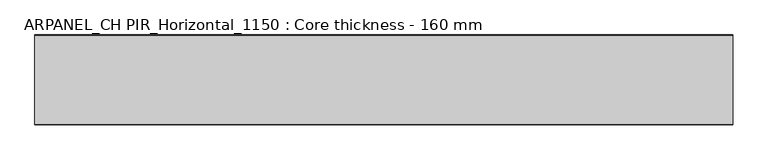
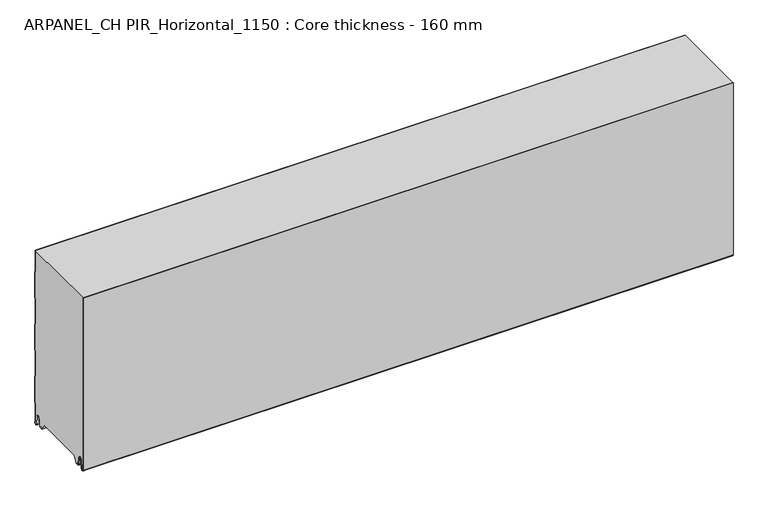
"""IFC4 building model written with IfcOpenShell, lengths in millimetres: plate geometry, ARPANEL_CH PIR_Horizontal_1150 : Core thickness - 160 mm."""

from ifc_helpers import new_model, si_unit, frame, origin, place, context, project, spatial, polyline, circle_curve, source, transform, mapped, element, save
from ifc_brep_helpers import plane_surface, cylinder_surface, revolved_surface, advanced_brep


def arpanel_ch_pir_horizontal_1150_core_thickness_160_mm_28ee7fb8(model_context):
    return source(origin(), model_context, "Body", "AdvancedBrep", [
        advanced_brep(
        [(620.0, -159.9996949, 3.0900682), (620.0, -153.81449, 2.7875612), (620.0, -152.197116, 19.2828169), (620.0, -149.1776715, 21.9898782), (620.0, -146.1582271, 19.2828169), (620.0, -144.7725998, 5.1510966), (620.0, -140.3830995, 5.365779), (620.0, -141.1830995, 5.365779), (620.0, -143.9764178, 5.2291629), (620.0, -145.3620451, 19.3608832), (620.0, -149.1776715, 22.7899182), (620.0, -152.9932979, 19.3608832), (620.0, -154.6106719, 2.8656275), (620.0, -159.1996949, 3.0900682), (620.0, -159.2, 350.0), (620.0, -159.9996949, 350.0), (-620.0, -159.1996949, 3.0900682), (-620.0, -154.6106719, 2.8656275), (-620.0, -152.9932979, 19.3608832), (-620.0, -149.1776715, 22.7899182), (-620.0, -145.3620451, 19.3608832), (-620.0, -143.9764178, 5.2291629), (-620.0, -141.1830995, 5.365779), (-620.0, -140.3830995, 5.365779), (-620.0, -144.7725998, 5.1510966), (-620.0, -146.1582271, 19.2828169), (-620.0, -149.1776715, 21.9898782), (-620.0, -152.197116, 19.2828169), (-620.0, -153.81449, 2.7875612), (-620.0, -159.9996949, 3.0900682), (-620.0, -159.9996949, 350.0), (-620.0, -159.2, 350.0)],
        [
            (0, 1, circle_curve(frame((620.0, -156.8996949, 3.0900682), z_axis=(1.0, 0.0, 0.0), x_axis=(0.0, 0.0, -1.0)), 3.1)),
            (1, 2),
            (2, 3, circle_curve(frame((620.0, -149.2114338, 18.9900682), z_axis=(-1.0, 0.0, 0.0), x_axis=(0.0, 0.0, -1.0)), 3.0)),
            (3, 4, circle_curve(frame((620.0, -149.1439093, 18.9900682), z_axis=(-1.0, 0.0, 0.0), x_axis=(0.0, 0.0, -1.0)), 3.0)),
            (4, 5),
            (5, 6, circle_curve(frame((620.0, -142.5830995, 5.365779), z_axis=(1.0, 0.0, 0.0), x_axis=(0.0, 0.0, -1.0)), 2.2)),
            (6, 7),
            (7, 8, circle_curve(frame((620.0, -142.5830995, 5.365779), z_axis=(-1.0, 0.0, 0.0), x_axis=(0.0, 0.0, -1.0)), 1.4)),
            (8, 9),
            (9, 10, circle_curve(frame((620.0, -149.1439093, 18.9900682), z_axis=(1.0, 0.0, 0.0), x_axis=(0.0, 0.0, -1.0)), 3.8)),
            (10, 11, circle_curve(frame((620.0, -149.2114338, 18.9900682), z_axis=(1.0, 0.0, 0.0), x_axis=(0.0, 0.0, -1.0)), 3.8)),
            (11, 12),
            (12, 13, circle_curve(frame((620.0, -156.8996949, 3.0900682), z_axis=(-1.0, 0.0, 0.0), x_axis=(0.0, 0.0, -1.0)), 2.3)),
            (13, 14),
            (14, 15),
            (15, 0),
            (16, 17, circle_curve(frame((-620.0, -156.8996949, 3.0900682), z_axis=(1.0, 0.0, 0.0), x_axis=(0.0, 0.0, -1.0)), 2.3)),
            (17, 18),
            (18, 19, circle_curve(frame((-620.0, -149.2114338, 18.9900682), z_axis=(-1.0, 0.0, 0.0), x_axis=(0.0, 0.0, -1.0)), 3.8)),
            (19, 20, circle_curve(frame((-620.0, -149.1439093, 18.9900682), z_axis=(-1.0, 0.0, 0.0), x_axis=(0.0, 0.0, -1.0)), 3.8)),
            (20, 21),
            (21, 22, circle_curve(frame((-620.0, -142.5830995, 5.365779), z_axis=(1.0, 0.0, 0.0), x_axis=(0.0, 0.0, -1.0)), 1.4)),
            (22, 23),
            (23, 24, circle_curve(frame((-620.0, -142.5830995, 5.365779), z_axis=(-1.0, 0.0, 0.0), x_axis=(0.0, 0.0, -1.0)), 2.2)),
            (24, 25),
            (25, 26, circle_curve(frame((-620.0, -149.1439093, 18.9900682), z_axis=(1.0, 0.0, 0.0), x_axis=(0.0, 0.0, -1.0)), 3.0)),
            (26, 27, circle_curve(frame((-620.0, -149.2114338, 18.9900682), z_axis=(1.0, 0.0, 0.0), x_axis=(0.0, 0.0, -1.0)), 3.0)),
            (27, 28),
            (28, 29, circle_curve(frame((-620.0, -156.8996949, 3.0900682), z_axis=(-1.0, 0.0, 0.0), x_axis=(0.0, 0.0, -1.0)), 3.1)),
            (29, 30),
            (30, 31),
            (31, 16),
            (13, 16),
            (31, 14),
            (29, 0),
            (15, 30),
            (12, 17),
            (11, 18),
            (10, 19),
            (9, 20),
            (8, 21),
            (7, 22),
            (6, 23),
            (5, 24),
            (4, 25),
            (3, 26),
            (2, 27),
            (1, 28),
        ],
        [
            plane_surface(frame((620.0, -160.0, 0.0), z_axis=(1.0, 0.0, 0.0), x_axis=(0.0, 1.0, 0.0))),
            plane_surface(frame((-620.0, -160.0, 0.0), z_axis=(-1.0, 0.0, 0.0), x_axis=(0.0, 1.0, 0.0))),
            plane_surface(frame((620.0, -159.2, 3.0900682), z_axis=(0.0, 1.0, 0.0), x_axis=(-1.0, 0.0, 0.0))),
            plane_surface(frame((620.0, -159.9996949, 1143.9000005), z_axis=(0.0, -1.0, 0.0), x_axis=(-1.0, 0.0, 0.0))),
            revolved_surface(polyline([(-620.0, -156.8996949, 0.7900682000000003), (620.0, -156.8996949, 0.7900682000000003)]), (620.0, -156.8996949, 3.0900682), (-1.0, 0.0, 0.0)),
            plane_surface(frame((620.0, -152.9932979, 19.3608832), z_axis=(0.0, -0.9952273999818314, 0.09758289975914787), x_axis=(-1.0, 0.0, 0.0))),
            cylinder_surface(frame((620.0, -149.2114338, 18.9900682), z_axis=(1.0, 0.0, 0.0), x_axis=(0.0, 0.0, -1.0)), 3.8),
            cylinder_surface(frame((620.0, -149.1439093, 18.9900682), z_axis=(1.0, 0.0, 0.0), x_axis=(0.0, 0.0, -1.0)), 3.8),
            plane_surface(frame((620.0, -143.9764178, 5.2291629), z_axis=(0.0, 0.9952273999818297, 0.09758289975916531), x_axis=(-1.0, 0.0, 0.0))),
            revolved_surface(polyline([(-620.0, -142.5830995, 3.965779), (620.0, -142.5830995, 3.965779)]), (620.0, -142.5830995, 5.365779), (-1.0, 0.0, 0.0)),
            plane_surface(frame((620.0, -140.3830995, 5.365779), z_axis=(0.0, 0.0, 1.0), x_axis=(-1.0, 0.0, 0.0))),
            cylinder_surface(frame((620.0, -142.5830995, 5.365779), z_axis=(1.0, 0.0, 0.0), x_axis=(0.0, 0.0, -1.0)), 2.2),
            plane_surface(frame((620.0, -146.1582271, 19.2828169), z_axis=(0.0, -0.9952273999818296, -0.09758289975916527), x_axis=(-1.0, 0.0, 0.0))),
            revolved_surface(polyline([(-620.0, -149.1439093, 15.9900682), (620.0, -149.1439093, 15.9900682)]), (620.0, -149.1439093, 18.9900682), (-1.0, 0.0, 0.0)),
            revolved_surface(polyline([(-620.0, -149.2114338, 15.9900682), (620.0, -149.2114338, 15.9900682)]), (620.0, -149.2114338, 18.9900682), (-1.0, 0.0, 0.0)),
            plane_surface(frame((620.0, -153.81449, 2.7875612), z_axis=(0.0, 0.9952273999818314, -0.09758289975914787), x_axis=(-1.0, 0.0, 0.0))),
            cylinder_surface(frame((620.0, -156.8996949, 3.0900682), z_axis=(1.0, 0.0, 0.0), x_axis=(0.0, 0.0, -1.0)), 3.1),
            plane_surface(frame((-620.0, 134.0533409, 350.0), z_axis=(0.0, 0.0, 1.0), x_axis=(1.0, 0.0, 0.0))),
        ],
        [
            (0, [[1, 2, 3, 4, 5, 6, 7, 8, 9, 10, 11, 12, 13, 14, 15, 16]]),
            (1, [[17, 18, 19, 20, 21, 22, 23, 24, 25, 26, 27, 28, 29, 30, 31, 32]]),
            (2, [[33, -32, 34, -14]]),
            (3, [[35, -16, 36, -30]]),
            (4, [[-13, 37, -17, -33]]),
            (5, [[-12, 38, -18, -37]]),
            (6, [[-11, 39, -19, -38]]),
            (7, [[-10, 40, -20, -39]]),
            (8, [[-9, 41, -21, -40]]),
            (9, [[-8, 42, -22, -41]]),
            (10, [[-7, 43, -23, -42]]),
            (11, [[-6, 44, -24, -43]]),
            (12, [[-5, 45, -25, -44]]),
            (13, [[-4, 46, -26, -45]]),
            (14, [[-3, 47, -27, -46]]),
            (15, [[-2, 48, -28, -47]]),
            (16, [[-1, -35, -29, -48]]),
            (17, [[-15, -34, -31, -36]]),
        ],
    ),
        advanced_brep(
        [(620.0, -129.873448, 15.1417681), (620.0, -30.126552, 15.1417681), (620.0, -23.4071318, 3.165779), (620.0, -17.4169005, 3.165779), (620.0, -19.6169005, 5.365779), (620.0, -18.8169005, 5.365779), (620.0, -16.0235822, 5.2291629), (620.0, -14.6379549, 19.3608832), (620.0, -10.8223285, 22.7899182), (620.0, -7.0067021, 19.3608832), (620.0, -5.3893281, 2.8656275), (620.0, -1.0794848, 4.1883784), (620.0, -1.5003051, 5.8439114), (620.0, -1.5003051, 42.0511837), (620.0, -1.0971009, 43.4705951), (620.0, -0.8, 44.5229805), (620.0, -0.8, 94.6827637), (620.0, -1.0986697, 95.7341795), (620.0, -1.5003051, 97.1545605), (620.0, -1.5003051, 147.3143437), (620.0, -1.0971009, 148.7337551), (620.0, -0.8, 149.7861405), (620.0, -0.8, 199.9459237), (620.0, -1.0986697, 200.9973395), (620.0, -1.5003051, 202.4177205), (620.0, -1.5003051, 252.5775037), (620.0, -1.0971009, 253.9969151), (620.0, -0.8, 255.0493005), (620.0, -0.8, 305.2090837), (620.0, -1.0986697, 306.2604995), (620.0, -1.5003051, 307.6808805), (620.0, -1.5003051, 350.0), (620.0, -159.2, 350.0), (620.0, -159.2, 3.0900682), (620.0, -154.6106719, 2.8656275), (620.0, -152.9932979, 19.3608832), (620.0, -149.1776715, 22.7899182), (620.0, -145.3620451, 19.3608832), (620.0, -143.9764178, 5.2291629), (620.0, -141.1830995, 5.365779), (620.0, -140.3830995, 5.365779), (620.0, -142.5830995, 3.165779), (620.0, -136.5928682, 3.165779), (-620.0, -30.126552, 15.1417681), (-620.0, -129.873448, 15.1417681), (-620.0, -136.5928682, 3.165779), (-620.0, -142.5830995, 3.165779), (-620.0, -140.3830995, 5.365779), (-620.0, -141.1830995, 5.365779), (-620.0, -143.9764178, 5.2291629), (-620.0, -145.3620451, 19.3608832), (-620.0, -149.1776715, 22.7899182), (-620.0, -152.9932979, 19.3608832), (-620.0, -154.6106719, 2.8656275), (-620.0, -159.1996949, 3.0900682), (-620.0, -159.2, 350.0), (-620.0, -1.5003051, 350.0), (-620.0, -1.5003051, 307.6808805), (-620.0, -1.0971009, 306.2614691), (-620.0, -0.8, 305.2090837), (-620.0, -0.8, 255.0493005), (-620.0, -1.0986697, 253.9978846), (-620.0, -1.5003051, 252.5775037), (-620.0, -1.5003051, 202.4177205), (-620.0, -1.0971009, 200.9983091), (-620.0, -0.8, 199.9459237), (-620.0, -0.8, 149.7861405), (-620.0, -1.0986697, 148.7347246), (-620.0, -1.5003051, 147.3143437), (-620.0, -1.5003051, 97.1545605), (-620.0, -1.0971009, 95.7351491), (-620.0, -0.8, 94.6827637), (-620.0, -0.8, 44.5229805), (-620.0, -1.0986697, 43.4715646), (-620.0, -1.5003051, 42.0511837), (-620.0, -1.5003051, 5.8439114), (-620.0, -1.0794848, 4.1883784), (-620.0, -5.3893281, 2.8656275), (-620.0, -7.0067021, 19.3608832), (-620.0, -10.8223285, 22.7899182), (-620.0, -14.6379549, 19.3608832), (-620.0, -16.0235822, 5.2291629), (-620.0, -18.8169005, 5.365779), (-620.0, -19.6169005, 5.365779), (-620.0, -17.4169005, 3.165779), (-620.0, -23.4071318, 3.165779)],
        [
            (0, 1),
            (1, 2),
            (2, 3),
            (3, 4, circle_curve(frame((620.0, -17.4169005, 5.365779), z_axis=(-1.0, 0.0, 0.0), x_axis=(0.0, 0.0, -1.0)), 2.2)),
            (4, 5),
            (5, 6, circle_curve(frame((620.0, -17.4169005, 5.365779), z_axis=(1.0, 0.0, 0.0), x_axis=(0.0, 0.0, -1.0)), 1.4)),
            (6, 7),
            (7, 8, circle_curve(frame((620.0, -10.8560907, 18.9900682), z_axis=(-1.0, 0.0, 0.0), x_axis=(0.0, 0.0, -1.0)), 3.8)),
            (8, 9, circle_curve(frame((620.0, -10.7885662, 18.9900682), z_axis=(-1.0, 0.0, 0.0), x_axis=(0.0, 0.0, -1.0)), 3.8)),
            (9, 10),
            (10, 11, circle_curve(frame((620.0, -3.1003051, 3.0900682), z_axis=(1.0, 0.0, 0.0), x_axis=(0.0, 0.0, -1.0)), 2.3)),
            (11, 12, circle_curve(frame((620.0, 1.9665895, 5.8439114), z_axis=(-1.0, 0.0, 0.0), x_axis=(0.0, 0.0, -1.0)), 3.4668946)),
            (12, 13),
            (13, 14, circle_curve(frame((620.0, 1.1996949, 42.0511837), z_axis=(-1.0, 0.0, 0.0), x_axis=(0.0, 0.0, -1.0)), 2.7)),
            (14, 15, circle_curve(frame((620.0, -2.8, 44.5229805), z_axis=(1.0, 0.0, 0.0), x_axis=(0.0, 0.0, -1.0)), 2.0)),
            (15, 16),
            (16, 17, circle_curve(frame((620.0, -2.8, 94.6827637), z_axis=(1.0, 0.0, 0.0), x_axis=(0.0, 0.0, -1.0)), 2.0)),
            (17, 18, circle_curve(frame((620.0, 1.1996949, 97.1545605), z_axis=(-1.0, 0.0, 0.0), x_axis=(0.0, 0.0, -1.0)), 2.7)),
            (18, 19),
            (19, 20, circle_curve(frame((620.0, 1.1996949, 147.3143437), z_axis=(-1.0, 0.0, 0.0), x_axis=(0.0, 0.0, -1.0)), 2.7)),
            (20, 21, circle_curve(frame((620.0, -2.8, 149.7861405), z_axis=(1.0, 0.0, 0.0), x_axis=(0.0, 0.0, -1.0)), 2.0)),
            (21, 22),
            (22, 23, circle_curve(frame((620.0, -2.8, 199.9459237), z_axis=(1.0, 0.0, 0.0), x_axis=(0.0, 0.0, -1.0)), 2.0)),
            (23, 24, circle_curve(frame((620.0, 1.1996949, 202.4177205), z_axis=(-1.0, 0.0, 0.0), x_axis=(0.0, 0.0, -1.0)), 2.7)),
            (24, 25),
            (25, 26, circle_curve(frame((620.0, 1.1996949, 252.5775037), z_axis=(-1.0, 0.0, 0.0), x_axis=(0.0, 0.0, -1.0)), 2.7)),
            (26, 27, circle_curve(frame((620.0, -2.8, 255.0493005), z_axis=(1.0, 0.0, 0.0), x_axis=(0.0, 0.0, -1.0)), 2.0)),
            (27, 28),
            (28, 29, circle_curve(frame((620.0, -2.8, 305.2090837), z_axis=(1.0, 0.0, 0.0), x_axis=(0.0, 0.0, -1.0)), 2.0)),
            (29, 30, circle_curve(frame((620.0, 1.1996949, 307.6808805), z_axis=(-1.0, 0.0, 0.0), x_axis=(0.0, 0.0, -1.0)), 2.7)),
            (30, 31),
            (31, 32),
            (32, 33),
            (33, 34, circle_curve(frame((620.0, -156.8996949, 3.0900682), z_axis=(1.0, 0.0, 0.0), x_axis=(0.0, 0.0, -1.0)), 2.3)),
            (34, 35),
            (35, 36, circle_curve(frame((620.0, -149.2114338, 18.9900682), z_axis=(-1.0, 0.0, 0.0), x_axis=(0.0, 0.0, -1.0)), 3.8)),
            (36, 37, circle_curve(frame((620.0, -149.1439093, 18.9900682), z_axis=(-1.0, 0.0, 0.0), x_axis=(0.0, 0.0, -1.0)), 3.8)),
            (37, 38),
            (38, 39, circle_curve(frame((620.0, -142.5830995, 5.365779), z_axis=(1.0, 0.0, 0.0), x_axis=(0.0, 0.0, -1.0)), 1.4)),
            (39, 40),
            (40, 41, circle_curve(frame((620.0, -142.5830995, 5.365779), z_axis=(-1.0, 0.0, 0.0), x_axis=(0.0, 0.0, -1.0)), 2.2)),
            (41, 42),
            (42, 0),
            (43, 44),
            (44, 45),
            (45, 46),
            (46, 47, circle_curve(frame((-620.0, -142.5830995, 5.365779), z_axis=(1.0, 0.0, 0.0), x_axis=(0.0, 0.0, -1.0)), 2.2)),
            (47, 48),
            (48, 49, circle_curve(frame((-620.0, -142.5830995, 5.365779), z_axis=(-1.0, 0.0, 0.0), x_axis=(0.0, 0.0, -1.0)), 1.4)),
            (49, 50),
            (50, 51, circle_curve(frame((-620.0, -149.1439093, 18.9900682), z_axis=(1.0, 0.0, 0.0), x_axis=(0.0, 0.0, -1.0)), 3.8)),
            (51, 52, circle_curve(frame((-620.0, -149.2114338, 18.9900682), z_axis=(1.0, 0.0, 0.0), x_axis=(0.0, 0.0, -1.0)), 3.8)),
            (52, 53),
            (53, 54, circle_curve(frame((-620.0, -156.8996949, 3.0900682), z_axis=(-1.0, 0.0, 0.0), x_axis=(0.0, 0.0, -1.0)), 2.3)),
            (54, 55),
            (55, 56),
            (56, 57),
            (57, 58, circle_curve(frame((-620.0, 1.1996949, 307.6808805), z_axis=(1.0, 0.0, 0.0), x_axis=(0.0, 0.0, -1.0)), 2.7)),
            (58, 59, circle_curve(frame((-620.0, -2.8, 305.2090837), z_axis=(-1.0, 0.0, 0.0), x_axis=(0.0, 0.0, -1.0)), 2.0)),
            (59, 60),
            (60, 61, circle_curve(frame((-620.0, -2.8, 255.0493005), z_axis=(-1.0, 0.0, 0.0), x_axis=(0.0, 0.0, -1.0)), 2.0)),
            (61, 62, circle_curve(frame((-620.0, 1.1996949, 252.5775037), z_axis=(1.0, 0.0, 0.0), x_axis=(0.0, 0.0, -1.0)), 2.7)),
            (62, 63),
            (63, 64, circle_curve(frame((-620.0, 1.1996949, 202.4177205), z_axis=(1.0, 0.0, 0.0), x_axis=(0.0, 0.0, -1.0)), 2.7)),
            (64, 65, circle_curve(frame((-620.0, -2.8, 199.9459237), z_axis=(-1.0, 0.0, 0.0), x_axis=(0.0, 0.0, -1.0)), 2.0)),
            (65, 66),
            (66, 67, circle_curve(frame((-620.0, -2.8, 149.7861405), z_axis=(-1.0, 0.0, 0.0), x_axis=(0.0, 0.0, -1.0)), 2.0)),
            (67, 68, circle_curve(frame((-620.0, 1.1996949, 147.3143437), z_axis=(1.0, 0.0, 0.0), x_axis=(0.0, 0.0, -1.0)), 2.7)),
            (68, 69),
            (69, 70, circle_curve(frame((-620.0, 1.1996949, 97.1545605), z_axis=(1.0, 0.0, 0.0), x_axis=(0.0, 0.0, -1.0)), 2.7)),
            (70, 71, circle_curve(frame((-620.0, -2.8, 94.6827637), z_axis=(-1.0, 0.0, 0.0), x_axis=(0.0, 0.0, -1.0)), 2.0)),
            (71, 72),
            (72, 73, circle_curve(frame((-620.0, -2.8, 44.5229805), z_axis=(-1.0, 0.0, 0.0), x_axis=(0.0, 0.0, -1.0)), 2.0)),
            (73, 74, circle_curve(frame((-620.0, 1.1996949, 42.0511837), z_axis=(1.0, 0.0, 0.0), x_axis=(0.0, 0.0, -1.0)), 2.7)),
            (74, 75),
            (75, 76, circle_curve(frame((-620.0, 1.9665895, 5.8439114), z_axis=(1.0, 0.0, 0.0), x_axis=(0.0, 0.0, -1.0)), 3.4668946)),
            (76, 77, circle_curve(frame((-620.0, -3.1003051, 3.0900682), z_axis=(-1.0, 0.0, 0.0), x_axis=(0.0, 0.0, -1.0)), 2.3)),
            (77, 78),
            (78, 79, circle_curve(frame((-620.0, -10.7885662, 18.9900682), z_axis=(1.0, 0.0, 0.0), x_axis=(0.0, 0.0, -1.0)), 3.8)),
            (79, 80, circle_curve(frame((-620.0, -10.8560907, 18.9900682), z_axis=(1.0, 0.0, 0.0), x_axis=(0.0, 0.0, -1.0)), 3.8)),
            (80, 81),
            (81, 82, circle_curve(frame((-620.0, -17.4169005, 5.365779), z_axis=(-1.0, 0.0, 0.0), x_axis=(0.0, 0.0, -1.0)), 1.4)),
            (82, 83),
            (83, 84, circle_curve(frame((-620.0, -17.4169005, 5.365779), z_axis=(1.0, 0.0, 0.0), x_axis=(0.0, 0.0, -1.0)), 2.2)),
            (84, 85),
            (85, 43),
            (1, 43),
            (85, 2),
            (0, 44),
            (42, 45),
            (64, 23),
            (22, 65),
            (63, 24),
            (62, 25),
            (61, 26),
            (60, 27),
            (59, 28),
            (58, 29),
            (57, 30),
            (56, 31),
            (54, 33),
            (32, 55),
            (84, 3),
            (41, 46),
            (83, 4),
            (82, 5),
            (81, 6),
            (80, 7),
            (79, 8),
            (78, 9),
            (77, 10),
            (76, 11),
            (75, 12),
            (74, 13),
            (73, 14),
            (72, 15),
            (71, 16),
            (70, 17),
            (69, 18),
            (68, 19),
            (67, 20),
            (66, 21),
            (53, 34),
            (52, 35),
            (51, 36),
            (50, 37),
            (49, 38),
            (48, 39),
            (47, 40),
        ],
        [
            plane_surface(frame((620.0, 0.0, 0.0), z_axis=(1.0, 0.0, 0.0), x_axis=(0.0, -1.0, 0.0))),
            plane_surface(frame((-620.0, 0.0, 0.0), z_axis=(-1.0, 0.0, 0.0), x_axis=(0.0, -1.0, 0.0))),
            plane_surface(frame((620.0, -30.126552, 15.1417681), z_axis=(0.0, -0.8721062992196836, -0.4893164649399687), x_axis=(-1.0, 0.0, 0.0))),
            plane_surface(frame((620.0, -129.873448, 15.1417681), z_axis=(0.0, 0.0, -1.0), x_axis=(-1.0, 0.0, 0.0))),
            plane_surface(frame((620.0, -136.8190247, 2.7627014), z_axis=(0.0, 0.8721062992196852, -0.48931646493996606), x_axis=(-1.0, 0.0, 0.0))),
            cylinder_surface(frame((750.0, -2.8, 199.9459237), z_axis=(-1.0, 0.0, 0.0), x_axis=(0.0, 0.0, -1.0)), 2.0),
            revolved_surface(polyline([(620.0, 1.1996949, 199.7177205), (-620.0, 1.1996949, 199.7177205)]), (750.0, 1.1996949, 202.4177205), (1.0, 0.0, 0.0)),
            plane_surface(frame((750.0, -1.5003051, 252.5775037), z_axis=(0.0, 1.0, 0.0), x_axis=(-1.0, 0.0, 0.0))),
            revolved_surface(polyline([(620.0, 1.1996949, 249.8775037), (-620.0, 1.1996949, 249.8775037)]), (750.0, 1.1996949, 252.5775037), (1.0, 0.0, 0.0)),
            cylinder_surface(frame((750.0, -2.8, 255.0493005), z_axis=(-1.0, 0.0, 0.0), x_axis=(0.0, 0.0, -1.0)), 2.0),
            plane_surface(frame((750.0, -0.8, 305.2090837), z_axis=(0.0, 1.0, 0.0), x_axis=(-1.0, 0.0, 0.0))),
            cylinder_surface(frame((750.0, -2.8, 305.2090837), z_axis=(-1.0, 0.0, 0.0), x_axis=(0.0, 0.0, -1.0)), 2.0),
            revolved_surface(polyline([(620.0, 1.1996949, 304.9808805), (-620.0, 1.1996949, 304.9808805)]), (750.0, 1.1996949, 307.6808805), (1.0, 0.0, 0.0)),
            plane_surface(frame((750.0, -1.5003051, 357.8406637), z_axis=(0.0, 1.0, 0.0), x_axis=(-1.0, 0.0, 0.0))),
            plane_surface(frame((750.0, -159.2, 3.0900682), z_axis=(0.0, -1.0, 0.0), x_axis=(-1.0, 0.0, 0.0))),
            plane_surface(frame((-620.0, -142.5830995, 3.165779), z_axis=(0.0, 0.0, -1.0), x_axis=(1.0, 0.0, 0.0))),
            revolved_surface(polyline([(620.0, -17.4169005, 3.1657789999999997), (-620.0, -17.4169005, 3.1657789999999997)]), (750.0, -17.4169005, 5.365779), (1.0, 0.0, 0.0)),
            plane_surface(frame((750.0, -18.8169005, 5.365779), z_axis=(0.0, 0.0, -1.0), x_axis=(-1.0, 0.0, 0.0))),
            cylinder_surface(frame((750.0, -17.4169005, 5.365779), z_axis=(-1.0, 0.0, 0.0), x_axis=(0.0, 0.0, -1.0)), 1.4),
            plane_surface(frame((750.0, -14.6379549, 19.3608832), z_axis=(0.0, 0.9952273999818297, -0.09758289975916531), x_axis=(-1.0, 0.0, 0.0))),
            revolved_surface(polyline([(620.0, -10.8560907, 15.190068199999999), (-620.0, -10.8560907, 15.190068199999999)]), (750.0, -10.8560907, 18.9900682), (1.0, 0.0, 0.0)),
            revolved_surface(polyline([(620.0, -10.7885662, 15.190068199999999), (-620.0, -10.7885662, 15.190068199999999)]), (750.0, -10.7885662, 18.9900682), (1.0, 0.0, 0.0)),
            plane_surface(frame((750.0, -5.3893281, 2.8656275), z_axis=(0.0, -0.9952273999818314, -0.09758289975914787), x_axis=(-1.0, 0.0, 0.0))),
            cylinder_surface(frame((750.0, -3.1003051, 3.0900682), z_axis=(-1.0, 0.0, 0.0), x_axis=(0.0, 0.0, -1.0)), 2.3),
            revolved_surface(polyline([(620.0, 1.9665895, 2.3770168), (-620.0, 1.9665895, 2.3770168)]), (750.0, 1.9665895, 5.8439114), (1.0, 0.0, 0.0)),
            plane_surface(frame((750.0, -1.5003051, 42.0511837), z_axis=(0.0, 1.0, 0.0), x_axis=(-1.0, 0.0, 0.0))),
            revolved_surface(polyline([(620.0, 1.1996949, 39.3511837), (-620.0, 1.1996949, 39.3511837)]), (750.0, 1.1996949, 42.0511837), (1.0, 0.0, 0.0)),
            cylinder_surface(frame((750.0, -2.8, 44.5229805), z_axis=(-1.0, 0.0, 0.0), x_axis=(0.0, 0.0, -1.0)), 2.0),
            plane_surface(frame((750.0, -0.8, 94.6827637), z_axis=(0.0, 1.0, 0.0), x_axis=(-1.0, 0.0, 0.0))),
            cylinder_surface(frame((750.0, -2.8, 94.6827637), z_axis=(-1.0, 0.0, 0.0), x_axis=(0.0, 0.0, -1.0)), 2.0),
            revolved_surface(polyline([(620.0, 1.1996949, 94.4545605), (-620.0, 1.1996949, 94.4545605)]), (750.0, 1.1996949, 97.1545605), (1.0, 0.0, 0.0)),
            plane_surface(frame((750.0, -1.5003051, 147.3143437), z_axis=(0.0, 1.0, 0.0), x_axis=(-1.0, 0.0, 0.0))),
            revolved_surface(polyline([(620.0, 1.1996949, 144.6143437), (-620.0, 1.1996949, 144.6143437)]), (750.0, 1.1996949, 147.3143437), (1.0, 0.0, 0.0)),
            cylinder_surface(frame((750.0, -2.8, 149.7861405), z_axis=(-1.0, 0.0, 0.0), x_axis=(0.0, 0.0, -1.0)), 2.0),
            plane_surface(frame((750.0, -0.8, 199.9459237), z_axis=(0.0, 1.0, 0.0), x_axis=(-1.0, 0.0, 0.0))),
            cylinder_surface(frame((750.0, -156.8996949, 3.0900682), z_axis=(-1.0, 0.0, 0.0), x_axis=(0.0, 0.0, -1.0)), 2.3),
            plane_surface(frame((750.0, -152.9932979, 19.3608832), z_axis=(0.0, 0.9952273999818314, -0.09758289975914787), x_axis=(-1.0, 0.0, 0.0))),
            revolved_surface(polyline([(620.0, -149.2114338, 15.190068199999999), (-620.0, -149.2114338, 15.190068199999999)]), (750.0, -149.2114338, 18.9900682), (1.0, 0.0, 0.0)),
            revolved_surface(polyline([(620.0, -149.1439093, 15.190068199999999), (-620.0, -149.1439093, 15.190068199999999)]), (750.0, -149.1439093, 18.9900682), (1.0, 0.0, 0.0)),
            plane_surface(frame((750.0, -143.9764178, 5.2291629), z_axis=(0.0, -0.9952273999818297, -0.09758289975916531), x_axis=(-1.0, 0.0, 0.0))),
            cylinder_surface(frame((750.0, -142.5830995, 5.365779), z_axis=(-1.0, 0.0, 0.0), x_axis=(0.0, 0.0, -1.0)), 1.4),
            plane_surface(frame((750.0, -140.3830995, 5.365779), z_axis=(0.0, 0.0, -1.0), x_axis=(-1.0, 0.0, 0.0))),
            revolved_surface(polyline([(620.0, -142.5830995, 3.1657789999999997), (-620.0, -142.5830995, 3.1657789999999997)]), (750.0, -142.5830995, 5.365779), (1.0, 0.0, 0.0)),
            plane_surface(frame((-620.0, 134.0533409, 350.0), z_axis=(0.0, 0.0, 1.0), x_axis=(1.0, 0.0, 0.0))),
        ],
        [
            (0, [[1, 2, 3, 4, 5, 6, 7, 8, 9, 10, 11, 12, 13, 14, 15, 16, 17, 18, 19, 20, 21, 22, 23, 24, 25, 26, 27, 28, 29, 30, 31, 32, 33, 34, 35, 36, 37, 38, 39, 40, 41, 42, 43]]),
            (1, [[44, 45, 46, 47, 48, 49, 50, 51, 52, 53, 54, 55, 56, 57, 58, 59, 60, 61, 62, 63, 64, 65, 66, 67, 68, 69, 70, 71, 72, 73, 74, 75, 76, 77, 78, 79, 80, 81, 82, 83, 84, 85, 86]]),
            (2, [[87, -86, 88, -2]]),
            (3, [[-1, 89, -44, -87]]),
            (4, [[-89, -43, 90, -45]]),
            (5, [[91, -23, 92, -65]]),
            (6, [[-91, -64, 93, -24]]),
            (7, [[-93, -63, 94, -25]]),
            (8, [[-94, -62, 95, -26]]),
            (9, [[-95, -61, 96, -27]]),
            (10, [[-96, -60, 97, -28]]),
            (11, [[-97, -59, 98, -29]]),
            (12, [[-98, -58, 99, -30]]),
            (13, [[-99, -57, 100, -31]]),
            (14, [[101, -33, 102, -55]]),
            (15, [[-3, -88, -85, 103]]),
            (15, [[-42, 104, -46, -90]]),
            (16, [[105, -4, -103, -84]]),
            (17, [[-105, -83, 106, -5]]),
            (18, [[-106, -82, 107, -6]]),
            (19, [[-107, -81, 108, -7]]),
            (20, [[-108, -80, 109, -8]]),
            (21, [[-109, -79, 110, -9]]),
            (22, [[-110, -78, 111, -10]]),
            (23, [[-111, -77, 112, -11]]),
            (24, [[-112, -76, 113, -12]]),
            (25, [[-113, -75, 114, -13]]),
            (26, [[-114, -74, 115, -14]]),
            (27, [[-115, -73, 116, -15]]),
            (28, [[-116, -72, 117, -16]]),
            (29, [[-117, -71, 118, -17]]),
            (30, [[-118, -70, 119, -18]]),
            (31, [[-119, -69, 120, -19]]),
            (32, [[-120, -68, 121, -20]]),
            (33, [[-121, -67, 122, -21]]),
            (34, [[-122, -66, -92, -22]]),
            (35, [[-101, -54, 123, -34]]),
            (36, [[-123, -53, 124, -35]]),
            (37, [[-124, -52, 125, -36]]),
            (38, [[-125, -51, 126, -37]]),
            (39, [[-126, -50, 127, -38]]),
            (40, [[-127, -49, 128, -39]]),
            (41, [[-128, -48, 129, -40]]),
            (42, [[-129, -47, -104, -41]]),
            (43, [[-100, -56, -102, -32]]),
        ],
    ),
        advanced_brep(
        [(-620.0, -0.7003051, 307.6808805), (-620.0, -0.4016712, 306.6295226), (-620.0, -0.0003051, 305.2090837), (-620.0, -0.0003051, 255.0493005), (-620.0, -0.4034608, 253.6299674), (-620.0, -0.7003051, 252.5775037), (-620.0, -0.7003051, 202.4177205), (-620.0, -0.4016712, 201.3663626), (-620.0, -0.0003051, 199.9459237), (-620.0, -0.0003051, 149.7861405), (-620.0, -0.4034608, 148.3668074), (-620.0, -0.7003051, 147.3143437), (-620.0, -0.7003051, 97.1545605), (-620.0, -0.4016712, 96.1032026), (-620.0, -0.0003051, 94.6827637), (-620.0, -0.0003051, 44.5229805), (-620.0, -0.4034608, 43.1036474), (-620.0, -0.7003051, 42.0511837), (-620.0, -0.7003051, 6.8391397), (-620.0, -0.2091664, 4.208691), (-620.0, -6.18551, 2.7875612), (-620.0, -7.802884, 19.2828169), (-620.0, -10.8223285, 21.9898782), (-620.0, -13.8417729, 19.2828169), (-620.0, -15.2274002, 5.1510966), (-620.0, -19.6169005, 5.365779), (-620.0, -18.8169005, 5.365779), (-620.0, -16.0235822, 5.2291629), (-620.0, -14.6379549, 19.3608832), (-620.0, -10.8223285, 22.7899182), (-620.0, -7.0067021, 19.3608832), (-620.0, -5.3893281, 2.8656275), (-620.0, -1.0794848, 4.1883784), (-620.0, -1.5003051, 5.8439114), (-620.0, -1.5003051, 42.0511837), (-620.0, -1.0971009, 43.4705951), (-620.0, -0.8, 44.5229805), (-620.0, -0.8, 94.6827637), (-620.0, -1.0986697, 95.7341795), (-620.0, -1.5003051, 97.1545605), (-620.0, -1.5003051, 147.3143437), (-620.0, -1.0971009, 148.7337551), (-620.0, -0.8, 149.7861405), (-620.0, -0.8, 199.9459237), (-620.0, -1.0986697, 200.9973395), (-620.0, -1.5003051, 202.4177205), (-620.0, -1.5003051, 252.5775037), (-620.0, -1.0971009, 253.9969151), (-620.0, -0.8, 255.0493005), (-620.0, -0.8, 305.2090837), (-620.0, -1.0986697, 306.2604995), (-620.0, -1.5003051, 307.6808805), (-620.0, -1.5003051, 350.0), (-620.0, -0.7003051, 350.0), (620.0, -1.5003051, 307.6808805), (620.0, -1.0971009, 306.2614691), (620.0, -0.8, 305.2090837), (620.0, -0.8, 255.0493005), (620.0, -1.0986697, 253.9978846), (620.0, -1.5003051, 252.5775037), (620.0, -1.5003051, 202.4177205), (620.0, -1.0971009, 200.9983091), (620.0, -0.8, 199.9459237), (620.0, -0.8, 149.7861405), (620.0, -1.0986697, 148.7347246), (620.0, -1.5003051, 147.3143437), (620.0, -1.5003051, 97.1545605), (620.0, -1.0971009, 95.7351491), (620.0, -0.8, 94.6827637), (620.0, -0.8, 44.5229805), (620.0, -1.0986697, 43.4715646), (620.0, -1.5003051, 42.0511837), (620.0, -1.5003051, 5.8439114), (620.0, -1.0794848, 4.1883784), (620.0, -5.3893281, 2.8656275), (620.0, -7.0067021, 19.3608832), (620.0, -10.8223285, 22.7899182), (620.0, -14.6379549, 19.3608832), (620.0, -16.0235822, 5.2291629), (620.0, -18.8169005, 5.365779), (620.0, -19.6169005, 5.365779), (620.0, -15.2274002, 5.1510966), (620.0, -13.8417729, 19.2828169), (620.0, -10.8223285, 21.9898782), (620.0, -7.802884, 19.2828169), (620.0, -6.18551, 2.7875612), (620.0, -0.2091664, 4.208691), (620.0, -0.7003051, 6.8391397), (620.0, -0.7003051, 42.0511837), (620.0, -0.4016712, 43.1025415), (620.0, -0.0003051, 44.5229805), (620.0, -0.0003051, 94.6827637), (620.0, -0.4034608, 96.1020968), (620.0, -0.7003051, 97.1545605), (620.0, -0.7003051, 147.3143437), (620.0, -0.4016712, 148.3657015), (620.0, -0.0003051, 149.7861405), (620.0, -0.0003051, 199.9459237), (620.0, -0.4034608, 201.3652568), (620.0, -0.7003051, 202.4177205), (620.0, -0.7003051, 252.5775037), (620.0, -0.4016712, 253.6288615), (620.0, -0.0003051, 255.0493005), (620.0, -0.0003051, 305.2090837), (620.0, -0.4034608, 306.6284168), (620.0, -0.7003051, 307.6808805), (620.0, -0.7003051, 350.0), (620.0, -1.5003051, 350.0)],
        [
            (0, 1, circle_curve(frame((-620.0, 1.2996949, 307.6808805), z_axis=(1.0, 0.0, 0.0), x_axis=(0.0, 0.0, -1.0)), 2.0)),
            (1, 2, circle_curve(frame((-620.0, -2.7003051, 305.2090837), z_axis=(-1.0, 0.0, 0.0), x_axis=(0.0, 0.0, -1.0)), 2.7)),
            (2, 3),
            (3, 4, circle_curve(frame((-620.0, -2.7003051, 255.0493005), z_axis=(-1.0, 0.0, 0.0), x_axis=(0.0, 0.0, -1.0)), 2.7)),
            (4, 5, circle_curve(frame((-620.0, 1.2996949, 252.5775037), z_axis=(1.0, 0.0, 0.0), x_axis=(0.0, 0.0, -1.0)), 2.0)),
            (5, 6),
            (6, 7, circle_curve(frame((-620.0, 1.2996949, 202.4177205), z_axis=(1.0, 0.0, 0.0), x_axis=(0.0, 0.0, -1.0)), 2.0)),
            (7, 8, circle_curve(frame((-620.0, -2.7003051, 199.9459237), z_axis=(-1.0, 0.0, 0.0), x_axis=(0.0, 0.0, -1.0)), 2.7)),
            (8, 9),
            (9, 10, circle_curve(frame((-620.0, -2.7003051, 149.7861405), z_axis=(-1.0, 0.0, 0.0), x_axis=(0.0, 0.0, -1.0)), 2.7)),
            (10, 11, circle_curve(frame((-620.0, 1.2996949, 147.3143437), z_axis=(1.0, 0.0, 0.0), x_axis=(0.0, 0.0, -1.0)), 2.0)),
            (11, 12),
            (12, 13, circle_curve(frame((-620.0, 1.2996949, 97.1545605), z_axis=(1.0, 0.0, 0.0), x_axis=(0.0, 0.0, -1.0)), 2.0)),
            (13, 14, circle_curve(frame((-620.0, -2.7003051, 94.6827637), z_axis=(-1.0, 0.0, 0.0), x_axis=(0.0, 0.0, -1.0)), 2.7)),
            (14, 15),
            (15, 16, circle_curve(frame((-620.0, -2.7003051, 44.5229805), z_axis=(-1.0, 0.0, 0.0), x_axis=(0.0, 0.0, -1.0)), 2.7)),
            (16, 17, circle_curve(frame((-620.0, 1.2996949, 42.0511837), z_axis=(1.0, 0.0, 0.0), x_axis=(0.0, 0.0, -1.0)), 2.0)),
            (17, 18),
            (18, 19, circle_curve(frame((-620.0, 6.5893647, 6.8391397), z_axis=(1.0, 0.0, 0.0), x_axis=(0.0, 0.0, -1.0)), 7.2896698)),
            (19, 20, circle_curve(frame((-620.0, -3.1003051, 3.0900682), z_axis=(-1.0, 0.0, 0.0), x_axis=(0.0, 0.0, -1.0)), 3.1)),
            (20, 21),
            (21, 22, circle_curve(frame((-620.0, -10.7885662, 18.9900682), z_axis=(1.0, 0.0, 0.0), x_axis=(0.0, 0.0, -1.0)), 3.0)),
            (22, 23, circle_curve(frame((-620.0, -10.8560907, 18.9900682), z_axis=(1.0, 0.0, 0.0), x_axis=(0.0, 0.0, -1.0)), 3.0)),
            (23, 24),
            (24, 25, circle_curve(frame((-620.0, -17.4169005, 5.365779), z_axis=(-1.0, 0.0, 0.0), x_axis=(0.0, 0.0, -1.0)), 2.2)),
            (25, 26),
            (26, 27, circle_curve(frame((-620.0, -17.4169005, 5.365779), z_axis=(1.0, 0.0, 0.0), x_axis=(0.0, 0.0, -1.0)), 1.4)),
            (27, 28),
            (28, 29, circle_curve(frame((-620.0, -10.8560907, 18.9900682), z_axis=(-1.0, 0.0, 0.0), x_axis=(0.0, 0.0, -1.0)), 3.8)),
            (29, 30, circle_curve(frame((-620.0, -10.7885662, 18.9900682), z_axis=(-1.0, 0.0, 0.0), x_axis=(0.0, 0.0, -1.0)), 3.8)),
            (30, 31),
            (31, 32, circle_curve(frame((-620.0, -3.1003051, 3.0900682), z_axis=(1.0, 0.0, 0.0), x_axis=(0.0, 0.0, -1.0)), 2.3)),
            (32, 33, circle_curve(frame((-620.0, 1.9665895, 5.8439114), z_axis=(-1.0, 0.0, 0.0), x_axis=(0.0, 0.0, -1.0)), 3.4668946)),
            (33, 34),
            (34, 35, circle_curve(frame((-620.0, 1.1996949, 42.0511837), z_axis=(-1.0, 0.0, 0.0), x_axis=(0.0, 0.0, -1.0)), 2.7)),
            (35, 36, circle_curve(frame((-620.0, -2.8, 44.5229805), z_axis=(1.0, 0.0, 0.0), x_axis=(0.0, 0.0, -1.0)), 2.0)),
            (36, 37),
            (37, 38, circle_curve(frame((-620.0, -2.8, 94.6827637), z_axis=(1.0, 0.0, 0.0), x_axis=(0.0, 0.0, -1.0)), 2.0)),
            (38, 39, circle_curve(frame((-620.0, 1.1996949, 97.1545605), z_axis=(-1.0, 0.0, 0.0), x_axis=(0.0, 0.0, -1.0)), 2.7)),
            (39, 40),
            (40, 41, circle_curve(frame((-620.0, 1.1996949, 147.3143437), z_axis=(-1.0, 0.0, 0.0), x_axis=(0.0, 0.0, -1.0)), 2.7)),
            (41, 42, circle_curve(frame((-620.0, -2.8, 149.7861405), z_axis=(1.0, 0.0, 0.0), x_axis=(0.0, 0.0, -1.0)), 2.0)),
            (42, 43),
            (43, 44, circle_curve(frame((-620.0, -2.8, 199.9459237), z_axis=(1.0, 0.0, 0.0), x_axis=(0.0, 0.0, -1.0)), 2.0)),
            (44, 45, circle_curve(frame((-620.0, 1.1996949, 202.4177205), z_axis=(-1.0, 0.0, 0.0), x_axis=(0.0, 0.0, -1.0)), 2.7)),
            (45, 46),
            (46, 47, circle_curve(frame((-620.0, 1.1996949, 252.5775037), z_axis=(-1.0, 0.0, 0.0), x_axis=(0.0, 0.0, -1.0)), 2.7)),
            (47, 48, circle_curve(frame((-620.0, -2.8, 255.0493005), z_axis=(1.0, 0.0, 0.0), x_axis=(0.0, 0.0, -1.0)), 2.0)),
            (48, 49),
            (49, 50, circle_curve(frame((-620.0, -2.8, 305.2090837), z_axis=(1.0, 0.0, 0.0), x_axis=(0.0, 0.0, -1.0)), 2.0)),
            (50, 51, circle_curve(frame((-620.0, 1.1996949, 307.6808805), z_axis=(-1.0, 0.0, 0.0), x_axis=(0.0, 0.0, -1.0)), 2.7)),
            (51, 52),
            (52, 53),
            (53, 0),
            (54, 55, circle_curve(frame((620.0, 1.1996949, 307.6808805), z_axis=(1.0, 0.0, 0.0), x_axis=(0.0, 0.0, -1.0)), 2.7)),
            (55, 56, circle_curve(frame((620.0, -2.8, 305.2090837), z_axis=(-1.0, 0.0, 0.0), x_axis=(0.0, 0.0, -1.0)), 2.0)),
            (56, 57),
            (57, 58, circle_curve(frame((620.0, -2.8, 255.0493005), z_axis=(-1.0, 0.0, 0.0), x_axis=(0.0, 0.0, -1.0)), 2.0)),
            (58, 59, circle_curve(frame((620.0, 1.1996949, 252.5775037), z_axis=(1.0, 0.0, 0.0), x_axis=(0.0, 0.0, -1.0)), 2.7)),
            (59, 60),
            (60, 61, circle_curve(frame((620.0, 1.1996949, 202.4177205), z_axis=(1.0, 0.0, 0.0), x_axis=(0.0, 0.0, -1.0)), 2.7)),
            (61, 62, circle_curve(frame((620.0, -2.8, 199.9459237), z_axis=(-1.0, 0.0, 0.0), x_axis=(0.0, 0.0, -1.0)), 2.0)),
            (62, 63),
            (63, 64, circle_curve(frame((620.0, -2.8, 149.7861405), z_axis=(-1.0, 0.0, 0.0), x_axis=(0.0, 0.0, -1.0)), 2.0)),
            (64, 65, circle_curve(frame((620.0, 1.1996949, 147.3143437), z_axis=(1.0, 0.0, 0.0), x_axis=(0.0, 0.0, -1.0)), 2.7)),
            (65, 66),
            (66, 67, circle_curve(frame((620.0, 1.1996949, 97.1545605), z_axis=(1.0, 0.0, 0.0), x_axis=(0.0, 0.0, -1.0)), 2.7)),
            (67, 68, circle_curve(frame((620.0, -2.8, 94.6827637), z_axis=(-1.0, 0.0, 0.0), x_axis=(0.0, 0.0, -1.0)), 2.0)),
            (68, 69),
            (69, 70, circle_curve(frame((620.0, -2.8, 44.5229805), z_axis=(-1.0, 0.0, 0.0), x_axis=(0.0, 0.0, -1.0)), 2.0)),
            (70, 71, circle_curve(frame((620.0, 1.1996949, 42.0511837), z_axis=(1.0, 0.0, 0.0), x_axis=(0.0, 0.0, -1.0)), 2.7)),
            (71, 72),
            (72, 73, circle_curve(frame((620.0, 1.9665895, 5.8439114), z_axis=(1.0, 0.0, 0.0), x_axis=(0.0, 0.0, -1.0)), 3.4668946)),
            (73, 74, circle_curve(frame((620.0, -3.1003051, 3.0900682), z_axis=(-1.0, 0.0, 0.0), x_axis=(0.0, 0.0, -1.0)), 2.3)),
            (74, 75),
            (75, 76, circle_curve(frame((620.0, -10.7885662, 18.9900682), z_axis=(1.0, 0.0, 0.0), x_axis=(0.0, 0.0, -1.0)), 3.8)),
            (76, 77, circle_curve(frame((620.0, -10.8560907, 18.9900682), z_axis=(1.0, 0.0, 0.0), x_axis=(0.0, 0.0, -1.0)), 3.8)),
            (77, 78),
            (78, 79, circle_curve(frame((620.0, -17.4169005, 5.365779), z_axis=(-1.0, 0.0, 0.0), x_axis=(0.0, 0.0, -1.0)), 1.4)),
            (79, 80),
            (80, 81, circle_curve(frame((620.0, -17.4169005, 5.365779), z_axis=(1.0, 0.0, 0.0), x_axis=(0.0, 0.0, -1.0)), 2.2)),
            (81, 82),
            (82, 83, circle_curve(frame((620.0, -10.8560907, 18.9900682), z_axis=(-1.0, 0.0, 0.0), x_axis=(0.0, 0.0, -1.0)), 3.0)),
            (83, 84, circle_curve(frame((620.0, -10.7885662, 18.9900682), z_axis=(-1.0, 0.0, 0.0), x_axis=(0.0, 0.0, -1.0)), 3.0)),
            (84, 85),
            (85, 86, circle_curve(frame((620.0, -3.1003051, 3.0900682), z_axis=(1.0, 0.0, 0.0), x_axis=(0.0, 0.0, -1.0)), 3.1)),
            (86, 87, circle_curve(frame((620.0, 6.5893647, 6.8391397), z_axis=(-1.0, 0.0, 0.0), x_axis=(0.0, 0.0, -1.0)), 7.2896698)),
            (87, 88),
            (88, 89, circle_curve(frame((620.0, 1.2996949, 42.0511837), z_axis=(-1.0, 0.0, 0.0), x_axis=(0.0, 0.0, -1.0)), 2.0)),
            (89, 90, circle_curve(frame((620.0, -2.7003051, 44.5229805), z_axis=(1.0, 0.0, 0.0), x_axis=(0.0, 0.0, -1.0)), 2.7)),
            (90, 91),
            (91, 92, circle_curve(frame((620.0, -2.7003051, 94.6827637), z_axis=(1.0, 0.0, 0.0), x_axis=(0.0, 0.0, -1.0)), 2.7)),
            (92, 93, circle_curve(frame((620.0, 1.2996949, 97.1545605), z_axis=(-1.0, 0.0, 0.0), x_axis=(0.0, 0.0, -1.0)), 2.0)),
            (93, 94),
            (94, 95, circle_curve(frame((620.0, 1.2996949, 147.3143437), z_axis=(-1.0, 0.0, 0.0), x_axis=(0.0, 0.0, -1.0)), 2.0)),
            (95, 96, circle_curve(frame((620.0, -2.7003051, 149.7861405), z_axis=(1.0, 0.0, 0.0), x_axis=(0.0, 0.0, -1.0)), 2.7)),
            (96, 97),
            (97, 98, circle_curve(frame((620.0, -2.7003051, 199.9459237), z_axis=(1.0, 0.0, 0.0), x_axis=(0.0, 0.0, -1.0)), 2.7)),
            (98, 99, circle_curve(frame((620.0, 1.2996949, 202.4177205), z_axis=(-1.0, 0.0, 0.0), x_axis=(0.0, 0.0, -1.0)), 2.0)),
            (99, 100),
            (100, 101, circle_curve(frame((620.0, 1.2996949, 252.5775037), z_axis=(-1.0, 0.0, 0.0), x_axis=(0.0, 0.0, -1.0)), 2.0)),
            (101, 102, circle_curve(frame((620.0, -2.7003051, 255.0493005), z_axis=(1.0, 0.0, 0.0), x_axis=(0.0, 0.0, -1.0)), 2.7)),
            (102, 103),
            (103, 104, circle_curve(frame((620.0, -2.7003051, 305.2090837), z_axis=(1.0, 0.0, 0.0), x_axis=(0.0, 0.0, -1.0)), 2.7)),
            (104, 105, circle_curve(frame((620.0, 1.2996949, 307.6808805), z_axis=(-1.0, 0.0, 0.0), x_axis=(0.0, 0.0, -1.0)), 2.0)),
            (105, 106),
            (106, 107),
            (107, 54),
            (51, 54),
            (107, 52),
            (50, 55),
            (49, 56),
            (48, 57),
            (47, 58),
            (46, 59),
            (45, 60),
            (44, 61),
            (43, 62),
            (31, 74),
            (73, 32),
            (30, 75),
            (29, 76),
            (28, 77),
            (27, 78),
            (26, 79),
            (25, 80),
            (24, 81),
            (23, 82),
            (22, 83),
            (21, 84),
            (20, 85),
            (19, 86),
            (7, 98),
            (97, 8),
            (6, 99),
            (5, 100),
            (4, 101),
            (3, 102),
            (2, 103),
            (1, 104),
            (0, 105),
            (53, 106),
            (42, 63),
            (41, 64),
            (40, 65),
            (39, 66),
            (38, 67),
            (37, 68),
            (36, 69),
            (35, 70),
            (34, 71),
            (33, 72),
            (18, 87),
            (17, 88),
            (16, 89),
            (15, 90),
            (14, 91),
            (13, 92),
            (12, 93),
            (11, 94),
            (10, 95),
            (9, 96),
        ],
        [
            plane_surface(frame((-620.0, 0.0, 0.0), z_axis=(-1.0, 0.0, 0.0), x_axis=(0.0, -1.0, 0.0))),
            plane_surface(frame((620.0, 0.0, 0.0), z_axis=(1.0, 0.0, 0.0), x_axis=(0.0, -1.0, 0.0))),
            plane_surface(frame((-620.0, -1.5003051, 307.6808805), z_axis=(0.0, -1.0, 0.0), x_axis=(1.0, 0.0, 0.0))),
            cylinder_surface(frame((-620.0, 1.1996949, 307.6808805), z_axis=(-1.0, 0.0, 0.0), x_axis=(0.0, 0.0, -1.0)), 2.7),
            revolved_surface(polyline([(620.0, -2.8, 303.2090837), (-620.0, -2.8, 303.2090837)]), (-620.0, -2.8, 305.2090837), (1.0, 0.0, 0.0)),
            plane_surface(frame((-620.0, -0.8, 255.0493005), z_axis=(0.0, -1.0, 0.0), x_axis=(1.0, 0.0, 0.0))),
            revolved_surface(polyline([(620.0, -2.8, 253.0493005), (-620.0, -2.8, 253.0493005)]), (-620.0, -2.8, 255.0493005), (1.0, 0.0, 0.0)),
            cylinder_surface(frame((-620.0, 1.1996949, 252.5775037), z_axis=(-1.0, 0.0, 0.0), x_axis=(0.0, 0.0, -1.0)), 2.7),
            plane_surface(frame((-620.0, -1.5003051, 202.4177205), z_axis=(0.0, -1.0, 0.0), x_axis=(1.0, 0.0, 0.0))),
            cylinder_surface(frame((-620.0, 1.1996949, 202.4177205), z_axis=(-1.0, 0.0, 0.0), x_axis=(0.0, 0.0, -1.0)), 2.7),
            revolved_surface(polyline([(620.0, -2.8, 197.9459237), (-620.0, -2.8, 197.9459237)]), (-620.0, -2.8, 199.9459237), (1.0, 0.0, 0.0)),
            revolved_surface(polyline([(620.0, -3.1003051, 0.7900682000000003), (-620.0, -3.1003051, 0.7900682000000003)]), (-620.0, -3.1003051, 3.0900682), (1.0, 0.0, 0.0)),
            plane_surface(frame((-620.0, -7.0067021, 19.3608832), z_axis=(0.0, 0.9952273999818314, 0.09758289975914787), x_axis=(1.0, 0.0, 0.0))),
            cylinder_surface(frame((-620.0, -10.7885662, 18.9900682), z_axis=(-1.0, 0.0, 0.0), x_axis=(0.0, 0.0, -1.0)), 3.8),
            cylinder_surface(frame((-620.0, -10.8560907, 18.9900682), z_axis=(-1.0, 0.0, 0.0), x_axis=(0.0, 0.0, -1.0)), 3.8),
            plane_surface(frame((-620.0, -16.0235822, 5.2291629), z_axis=(0.0, -0.9952273999818297, 0.09758289975916531), x_axis=(1.0, 0.0, 0.0))),
            revolved_surface(polyline([(620.0, -17.4169005, 3.965779), (-620.0, -17.4169005, 3.965779)]), (-620.0, -17.4169005, 5.365779), (1.0, 0.0, 0.0)),
            plane_surface(frame((-620.0, -19.6169005, 5.365779), z_axis=(0.0, 0.0, 1.0), x_axis=(1.0, 0.0, 0.0))),
            cylinder_surface(frame((-620.0, -17.4169005, 5.365779), z_axis=(-1.0, 0.0, 0.0), x_axis=(0.0, 0.0, -1.0)), 2.2),
            plane_surface(frame((-620.0, -13.8417729, 19.2828169), z_axis=(0.0, 0.9952273999818296, -0.09758289975916527), x_axis=(1.0, 0.0, 0.0))),
            revolved_surface(polyline([(620.0, -10.8560907, 15.9900682), (-620.0, -10.8560907, 15.9900682)]), (-620.0, -10.8560907, 18.9900682), (1.0, 0.0, 0.0)),
            revolved_surface(polyline([(620.0, -10.7885662, 15.9900682), (-620.0, -10.7885662, 15.9900682)]), (-620.0, -10.7885662, 18.9900682), (1.0, 0.0, 0.0)),
            plane_surface(frame((-620.0, -6.18551, 2.7875612), z_axis=(0.0, -0.9952273999818314, -0.09758289975914787), x_axis=(1.0, 0.0, 0.0))),
            cylinder_surface(frame((-620.0, -3.1003051, 3.0900682), z_axis=(-1.0, 0.0, 0.0), x_axis=(0.0, 0.0, -1.0)), 3.1),
            cylinder_surface(frame((-620.0, -2.7003051, 199.9459237), z_axis=(-1.0, 0.0, 0.0), x_axis=(0.0, 0.0, -1.0)), 2.7),
            revolved_surface(polyline([(620.0, 1.2996949, 200.4177205), (-620.0, 1.2996949, 200.4177205)]), (-620.0, 1.2996949, 202.4177205), (1.0, 0.0, 0.0)),
            plane_surface(frame((-620.0, -0.7003051, 252.5775037), z_axis=(0.0, 1.0, 0.0), x_axis=(1.0, 0.0, 0.0))),
            revolved_surface(polyline([(620.0, 1.2996949, 250.5775037), (-620.0, 1.2996949, 250.5775037)]), (-620.0, 1.2996949, 252.5775037), (1.0, 0.0, 0.0)),
            cylinder_surface(frame((-620.0, -2.7003051, 255.0493005), z_axis=(-1.0, 0.0, 0.0), x_axis=(0.0, 0.0, -1.0)), 2.7),
            plane_surface(frame((-620.0, -0.0003051, 305.2090837), z_axis=(0.0, 1.0, 0.0), x_axis=(1.0, 0.0, 0.0))),
            cylinder_surface(frame((-620.0, -2.7003051, 305.2090837), z_axis=(-1.0, 0.0, 0.0), x_axis=(0.0, 0.0, -1.0)), 2.7),
            revolved_surface(polyline([(620.0, 1.2996949, 305.6808805), (-620.0, 1.2996949, 305.6808805)]), (-620.0, 1.2996949, 307.6808805), (1.0, 0.0, 0.0)),
            plane_surface(frame((-620.0, -0.7003051, 357.8406637), z_axis=(0.0, 1.0, 0.0), x_axis=(1.0, 0.0, 0.0))),
            plane_surface(frame((-620.0, -0.8, 149.7861405), z_axis=(0.0, -1.0, 0.0), x_axis=(1.0, 0.0, 0.0))),
            revolved_surface(polyline([(620.0, -2.8, 147.7861405), (-620.0, -2.8, 147.7861405)]), (-620.0, -2.8, 149.7861405), (1.0, 0.0, 0.0)),
            cylinder_surface(frame((-620.0, 1.1996949, 147.3143437), z_axis=(-1.0, 0.0, 0.0), x_axis=(0.0, 0.0, -1.0)), 2.7),
            plane_surface(frame((-620.0, -1.5003051, 97.1545605), z_axis=(0.0, -1.0, 0.0), x_axis=(1.0, 0.0, 0.0))),
            cylinder_surface(frame((-620.0, 1.1996949, 97.1545605), z_axis=(-1.0, 0.0, 0.0), x_axis=(0.0, 0.0, -1.0)), 2.7),
            revolved_surface(polyline([(620.0, -2.8, 92.6827637), (-620.0, -2.8, 92.6827637)]), (-620.0, -2.8, 94.6827637), (1.0, 0.0, 0.0)),
            plane_surface(frame((-620.0, -0.8, 44.5229805), z_axis=(0.0, -1.0, 0.0), x_axis=(1.0, 0.0, 0.0))),
            revolved_surface(polyline([(620.0, -2.8, 42.5229805), (-620.0, -2.8, 42.5229805)]), (-620.0, -2.8, 44.5229805), (1.0, 0.0, 0.0)),
            cylinder_surface(frame((-620.0, 1.1996949, 42.0511837), z_axis=(-1.0, 0.0, 0.0), x_axis=(0.0, 0.0, -1.0)), 2.7),
            plane_surface(frame((-620.0, -1.5003051, 5.8439114), z_axis=(0.0, -1.0, 0.0), x_axis=(1.0, 0.0, 0.0))),
            cylinder_surface(frame((-620.0, 1.9665895, 5.8439114), z_axis=(-1.0, 0.0, 0.0), x_axis=(0.0, 0.0, -1.0)), 3.4668946),
            revolved_surface(polyline([(620.0, 6.5893647, -0.4505301000000008), (-620.0, 6.5893647, -0.4505301000000008)]), (-620.0, 6.5893647, 6.8391397), (1.0, 0.0, 0.0)),
            plane_surface(frame((-620.0, -0.7003051, 42.0511837), z_axis=(0.0, 1.0, 0.0), x_axis=(1.0, 0.0, 0.0))),
            revolved_surface(polyline([(620.0, 1.2996949, 40.0511837), (-620.0, 1.2996949, 40.0511837)]), (-620.0, 1.2996949, 42.0511837), (1.0, 0.0, 0.0)),
            cylinder_surface(frame((-620.0, -2.7003051, 44.5229805), z_axis=(-1.0, 0.0, 0.0), x_axis=(0.0, 0.0, -1.0)), 2.7),
            plane_surface(frame((-620.0, -0.0003051, 94.6827637), z_axis=(0.0, 1.0, 0.0), x_axis=(1.0, 0.0, 0.0))),
            cylinder_surface(frame((-620.0, -2.7003051, 94.6827637), z_axis=(-1.0, 0.0, 0.0), x_axis=(0.0, 0.0, -1.0)), 2.7),
            revolved_surface(polyline([(620.0, 1.2996949, 95.1545605), (-620.0, 1.2996949, 95.1545605)]), (-620.0, 1.2996949, 97.1545605), (1.0, 0.0, 0.0)),
            plane_surface(frame((-620.0, -0.7003051, 147.3143437), z_axis=(0.0, 1.0, 0.0), x_axis=(1.0, 0.0, 0.0))),
            revolved_surface(polyline([(620.0, 1.2996949, 145.3143437), (-620.0, 1.2996949, 145.3143437)]), (-620.0, 1.2996949, 147.3143437), (1.0, 0.0, 0.0)),
            cylinder_surface(frame((-620.0, -2.7003051, 149.7861405), z_axis=(-1.0, 0.0, 0.0), x_axis=(0.0, 0.0, -1.0)), 2.7),
            plane_surface(frame((-620.0, -0.0003051, 199.9459237), z_axis=(0.0, 1.0, 0.0), x_axis=(1.0, 0.0, 0.0))),
            plane_surface(frame((-620.0, 134.0533409, 350.0), z_axis=(0.0, 0.0, 1.0), x_axis=(1.0, 0.0, 0.0))),
        ],
        [
            (0, [[1, 2, 3, 4, 5, 6, 7, 8, 9, 10, 11, 12, 13, 14, 15, 16, 17, 18, 19, 20, 21, 22, 23, 24, 25, 26, 27, 28, 29, 30, 31, 32, 33, 34, 35, 36, 37, 38, 39, 40, 41, 42, 43, 44, 45, 46, 47, 48, 49, 50, 51, 52, 53, 54]]),
            (1, [[55, 56, 57, 58, 59, 60, 61, 62, 63, 64, 65, 66, 67, 68, 69, 70, 71, 72, 73, 74, 75, 76, 77, 78, 79, 80, 81, 82, 83, 84, 85, 86, 87, 88, 89, 90, 91, 92, 93, 94, 95, 96, 97, 98, 99, 100, 101, 102, 103, 104, 105, 106, 107, 108]]),
            (2, [[109, -108, 110, -52]]),
            (3, [[-51, 111, -55, -109]]),
            (4, [[-50, 112, -56, -111]]),
            (5, [[-49, 113, -57, -112]]),
            (6, [[-48, 114, -58, -113]]),
            (7, [[-47, 115, -59, -114]]),
            (8, [[-46, 116, -60, -115]]),
            (9, [[-45, 117, -61, -116]]),
            (10, [[-44, 118, -62, -117]]),
            (11, [[-32, 119, -74, 120]]),
            (12, [[-31, 121, -75, -119]]),
            (13, [[-30, 122, -76, -121]]),
            (14, [[-29, 123, -77, -122]]),
            (15, [[-28, 124, -78, -123]]),
            (16, [[-27, 125, -79, -124]]),
            (17, [[-26, 126, -80, -125]]),
            (18, [[-25, 127, -81, -126]]),
            (19, [[-24, 128, -82, -127]]),
            (20, [[-23, 129, -83, -128]]),
            (21, [[-22, 130, -84, -129]]),
            (22, [[-21, 131, -85, -130]]),
            (23, [[-20, 132, -86, -131]]),
            (24, [[-8, 133, -98, 134]]),
            (25, [[-7, 135, -99, -133]]),
            (26, [[-6, 136, -100, -135]]),
            (27, [[-5, 137, -101, -136]]),
            (28, [[-4, 138, -102, -137]]),
            (29, [[-3, 139, -103, -138]]),
            (30, [[-2, 140, -104, -139]]),
            (31, [[-1, 141, -105, -140]]),
            (32, [[-141, -54, 142, -106]]),
            (33, [[-43, 143, -63, -118]]),
            (34, [[-42, 144, -64, -143]]),
            (35, [[-41, 145, -65, -144]]),
            (36, [[-40, 146, -66, -145]]),
            (37, [[-39, 147, -67, -146]]),
            (38, [[-38, 148, -68, -147]]),
            (39, [[-37, 149, -69, -148]]),
            (40, [[-36, 150, -70, -149]]),
            (41, [[-35, 151, -71, -150]]),
            (42, [[-34, 152, -72, -151]]),
            (43, [[-33, -120, -73, -152]]),
            (44, [[-19, 153, -87, -132]]),
            (45, [[-18, 154, -88, -153]]),
            (46, [[-17, 155, -89, -154]]),
            (47, [[-16, 156, -90, -155]]),
            (48, [[-15, 157, -91, -156]]),
            (49, [[-14, 158, -92, -157]]),
            (50, [[-13, 159, -93, -158]]),
            (51, [[-12, 160, -94, -159]]),
            (52, [[-11, 161, -95, -160]]),
            (53, [[-10, 162, -96, -161]]),
            (54, [[-9, -134, -97, -162]]),
            (55, [[-53, -110, -107, -142]]),
        ],
    ),
    ])


if __name__ == "__main__":
    model = new_model("IFC4")
    model_context = context("Model", 3, world=origin())
    ifc_project = project(units=[si_unit("LENGTHUNIT", "METRE", prefix="MILLI")], contexts=[model_context])
    site = spatial("IfcSite", under=ifc_project)
    building = spatial("IfcBuilding", under=site)
    placement = place(None, origin())
    arpanel_ch_pir_horizontal_1150_core_thickness_160_mm_shape = arpanel_ch_pir_horizontal_1150_core_thickness_160_mm_28ee7fb8(model_context)
    element("IfcPlate", 1, ObjectType="ARPANEL_CH PIR_Horizontal_1150 : Core thickness - 160 mm", at=placement, inside=building, context=model_context, shape_type="MappedRepresentation", body=[
        mapped(arpanel_ch_pir_horizontal_1150_core_thickness_160_mm_shape, transform((0.0, 0.0, 0.0), x_axis=(1.0, 0.0, 0.0), y_axis=(0.0, 1.0, 0.0), z_axis=(0.0, 0.0, 1.0))),
    ])
    save(model, "model.ifc")
